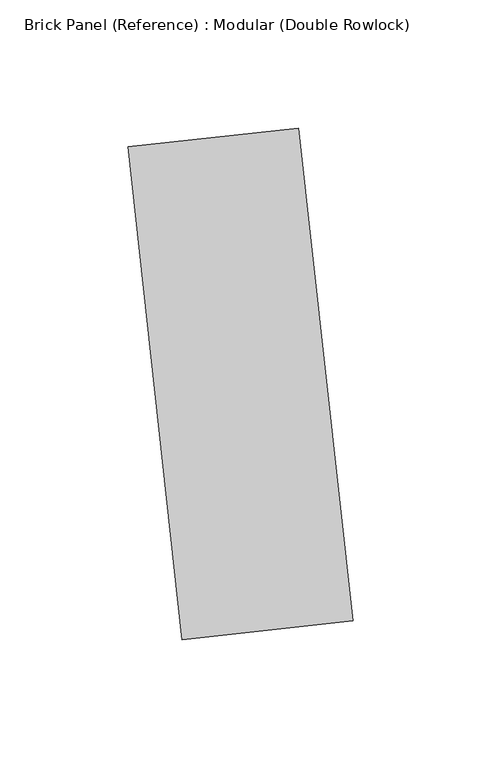
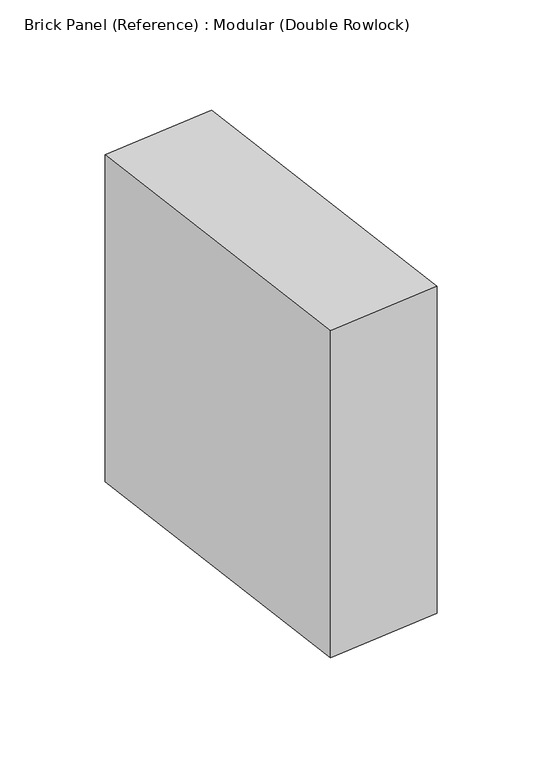
"""IFC4 building model written with IfcOpenShell, lengths in millimetres: plate geometry, Brick Panel (Reference) : Modular (Double Rowlock)."""

from ifc_helpers import new_model, si_unit, origin, origin_with_axes, place, context, project, spatial, polyline, outline, extrude, source, transform, mapped, element, save


def brick_panel_reference_modular_double_rowlock_0e8dd2dc(model_context):
    return source(origin(), model_context, "Body", "SweptSolid", [
        extrude(outline(polyline([(94.1056004, -197.9462629), (160.8596838, -190.5741135), (182.1193996, -383.0787371), (115.3653162, -390.4508865), (94.1056004, -197.9462629)])), origin_with_axes(), (0.0, 0.0, 1.0), 203.2),
    ])


if __name__ == "__main__":
    model = new_model("IFC4")
    model_context = context("Model", 3, world=origin())
    ifc_project = project(units=[si_unit("LENGTHUNIT", "METRE", prefix="MILLI")], contexts=[model_context])
    site = spatial("IfcSite", under=ifc_project)
    building = spatial("IfcBuilding", under=site)
    placement = place(None, origin())
    brick_panel_reference_modular_double_rowlock_shape = brick_panel_reference_modular_double_rowlock_0e8dd2dc(model_context)
    element("IfcPlate", 1, ObjectType="Brick Panel (Reference) : Modular (Double Rowlock)", at=placement, inside=building, context=model_context, shape_type="MappedRepresentation", body=[
        mapped(brick_panel_reference_modular_double_rowlock_shape, transform((0.0, 0.0, 0.0), x_axis=(1.0, 0.0, 0.0), y_axis=(0.0, 1.0, 0.0), z_axis=(0.0, 0.0, 1.0))),
    ])
    save(model, "model.ifc")
